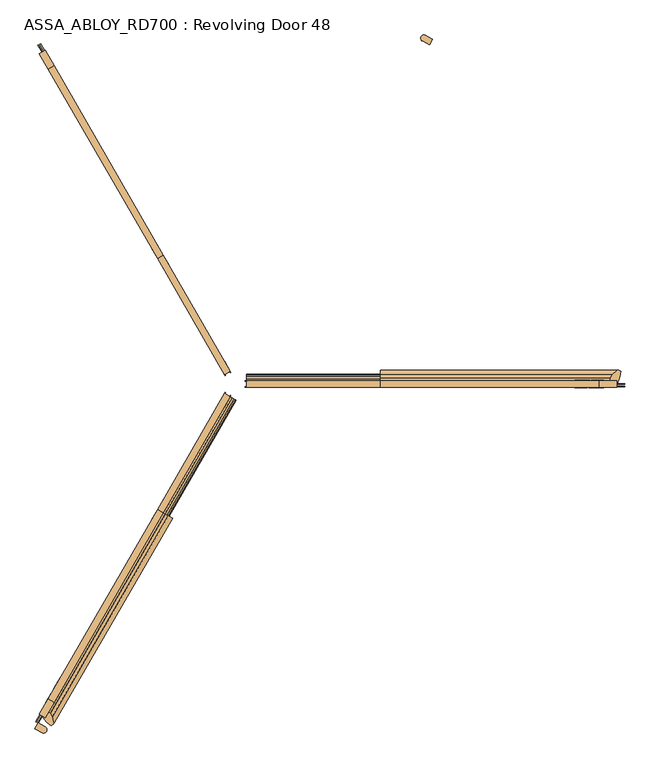
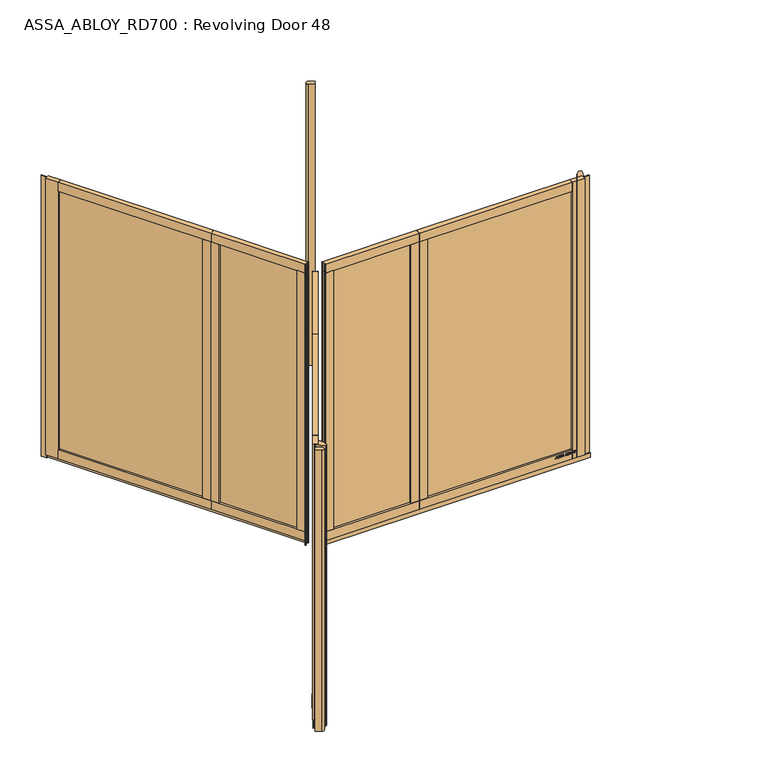
"""IFC4 building model written with IfcOpenShell, lengths in millimetres: door geometry, ASSA_ABLOY_RD700 : Revolving Door 48."""

from ifc_helpers import new_model, si_unit, point, frame, frame_2d, origin, origin_with_axes, origin_2d, place, context, project, spatial, polyline, circle_curve, trimmed, segment, composite_curve, outline, extrude, source, transform, mapped, element, save


def assa_abloy_rd700_revolving_door_48_b287f75c(model_context):
    return source(origin(), model_context, "Body", "SweptSolid", [
        extrude(outline(composite_curve([segment(trimmed(circle_curve(origin_2d(), 2400.0), [point((-1200.0, -2078.4609691))], [point((-1156.4382849, -2103.0098652))], True, "CARTESIAN"), True, "CONTINUOUS"), segment(trimmed(circle_curve(frame_2d((-1166.7954989, -2120.1290668)), 20.0084719), [point((-1156.4382849, -2103.0098652))], [point((-1176.4425554, -2137.6582781))], False, "CARTESIAN"), True, "CONTINUOUS"), segment(trimmed(circle_curve(origin_2d(), 2440.0), [point((-1176.4425554, -2137.6582781))], [point((-1220.0, -2113.1019852))], False, "CARTESIAN"), True, "CONTINUOUS"), segment(polyline([(-1220.0, -2113.1019852), (-1200.0, -2078.4609691)]), True, "CONTINUOUS")], self_intersect=False)), origin_with_axes(), (0.0, 0.0, 1.0), 2600.0),
        extrude(outline(composite_curve([segment(trimmed(circle_curve(origin_2d(), 2400.0), [point((1200.0, 2078.4609691))], [point((1156.4382849, 2103.0098652))], True, "CARTESIAN"), True, "CONTINUOUS"), segment(trimmed(circle_curve(frame_2d((1166.7954989, 2120.1290668)), 20.0084719), [point((1156.4382849, 2103.0098652))], [point((1176.4425554, 2137.6582781))], False, "CARTESIAN"), True, "CONTINUOUS"), segment(trimmed(circle_curve(origin_2d(), 2440.0), [point((1176.4425554, 2137.6582781))], [point((1220.0, 2113.1019852))], False, "CARTESIAN"), True, "CONTINUOUS"), segment(polyline([(1220.0, 2113.1019852), (1200.0, 2078.4609691)]), True, "CONTINUOUS")], self_intersect=False)), origin_with_axes(), (0.0, 0.0, 1.0), 2600.0),
        extrude(outline(polyline([(-415.5155414, -716.1940361), (-50.5155414, -83.9954913), (-47.4844586, -85.7454878), (-412.4844586, -717.9440326), (-415.5155414, -716.1940361)])), frame((0.0, 0.0, 124.0), z_axis=(0.0, 0.0, 1.0), x_axis=(1.0, 0.0, 0.0)), (0.0, 0.0, 1.0), 2394.0),
        extrude(outline(polyline([(-1121.5155414, -1939.0219062), (-488.5155414, -842.633745), (-485.4844586, -844.3837415), (-1118.4844586, -1940.7719027), (-1121.5155414, -1939.0219062)])), frame((0.0, 0.0, 124.0), z_axis=(0.0, 0.0, 1.0), x_axis=(1.0, 0.0, 0.0)), (0.0, 0.0, 1.0), 2394.0),
        extrude(outline(polyline([(-1102.6794919, -1949.8969045), (-1137.3205081, -1929.8969045), (-467.8205081, -770.2888888), (-433.1794919, -790.2888888), (-1102.6794919, -1949.8969045)])), frame((0.0, 0.0, 42.0), z_axis=(0.0, 0.0, 1.0), x_axis=(1.0, 0.0, 0.0)), (0.0, 0.0, 1.0), 82.0),
        extrude(outline(polyline([(-467.8205081, -770.2888888), (-433.1794919, -790.2888888), (-1102.6794919, -1949.8969045), (-1137.3205081, -1929.8969045), (-467.8205081, -770.2888888)])), frame((0.0, 0.0, 2518.0), z_axis=(0.0, 0.0, 1.0), x_axis=(1.0, 0.0, 0.0)), (0.0, 0.0, 1.0), 82.0),
        extrude(outline(polyline([(-433.1794919, -790.2888888), (-467.8205081, -770.2888888), (-431.3205081, -707.0690343), (-396.6794919, -727.0690343), (-433.1794919, -790.2888888)])), frame((0.0, 0.0, 124.0), z_axis=(0.0, 0.0, 1.0), x_axis=(1.0, 0.0, 0.0)), (0.0, 0.0, 1.0), 2394.0),
        extrude(outline(polyline([(-469.6794919, -853.5087433), (-504.3205081, -833.5087433), (-467.8205081, -770.2888888), (-433.1794919, -790.2888888), (-469.6794919, -853.5087433)])), frame((0.0, 0.0, 124.0), z_axis=(0.0, 0.0, 1.0), x_axis=(1.0, 0.0, 0.0)), (0.0, 0.0, 1.0), 2394.0),
        extrude(outline(polyline([(-24.2775681, -76.0499815), (-20.7775681, -69.9878037), (-18.1794919, -71.4878037), (-21.6794919, -77.5499815), (-24.2775681, -76.0499815)])), origin_with_axes(), (0.0, 0.0, 1.0), 2600.0),
        extrude(outline(polyline([(-56.6794919, -138.1717598), (-91.3205081, -118.1717598), (-56.3205081, -57.5499815), (-21.6794919, -77.5499815), (-56.6794919, -138.1717598)])), frame((0.0, 0.0, 124.0), z_axis=(0.0, 0.0, 1.0), x_axis=(1.0, 0.0, 0.0)), (0.0, 0.0, 1.0), 2394.0),
        extrude(outline(polyline([(-56.3205081, -57.5499815), (-21.6794919, -77.5499815), (-433.1794919, -790.2888888), (-467.8205081, -770.2888888), (-56.3205081, -57.5499815)])), frame((0.0, 0.0, 2518.0), z_axis=(0.0, 0.0, 1.0), x_axis=(1.0, 0.0, 0.0)), (0.0, 0.0, 1.0), 82.0),
        extrude(outline(polyline([(-1137.3205081, -1929.8969045), (-1102.6794919, -1949.8969045), (-1157.6794919, -2045.1596989), (-1192.3205081, -2025.1596989), (-1137.3205081, -1929.8969045)])), frame((0.0, 0.0, 42.0), z_axis=(0.0, 0.0, 1.0), x_axis=(1.0, 0.0, 0.0)), (0.0, 0.0, 1.0), 2558.0),
        extrude(outline(polyline([(-1201.5155414, -2077.5859708), (-1176.5155414, -2034.2847006), (-1173.4844586, -2036.0346971), (-1198.4844586, -2079.3359673), (-1201.5155414, -2077.5859708)])), origin_with_axes(), (0.0, 0.0, 1.0), 2600.0),
        extrude(outline(polyline([(-433.1794919, -790.2888888), (-467.8205081, -770.2888888), (-56.3205081, -57.5499815), (-21.6794919, -77.5499815), (-433.1794919, -790.2888888)])), frame((0.0, 0.0, 42.0), z_axis=(0.0, 0.0, 1.0), x_axis=(1.0, 0.0, 0.0)), (0.0, 0.0, 1.0), 82.0),
        extrude(outline(polyline([(-50.2224319, -52.9878037), (-53.7224319, -59.0499815), (-56.3205081, -57.5499815), (-52.8205081, -51.4878037), (-50.2224319, -52.9878037)])), origin_with_axes(), (0.0, 0.0, 1.0), 2600.0),
        extrude(outline(polyline([(-1214.7224319, -2069.9609691), (-53.7224319, -59.0499815), (-49.5655099, -61.4499815), (-1210.5655099, -2072.3609691), (-1214.7224319, -2069.9609691)])), origin_with_axes(), (0.0, 0.0, 1.0), 42.0),
        extrude(outline(polyline([(-21.1919362, 0.0), (0.0, 0.0), (1.2354289, -3.3526834), (-14.8894584, -17.1035442), (-15.8652681, -14.4554102), (-11.2716326, -10.6269535), (-14.2348715, -2.5853724), (-20.214336, -2.6529929), (-21.1919362, 0.0)]), holes=[polyline([(-11.7626281, -2.5849675), (-9.3848751, -9.0376682), (-1.6611384, -2.5160752), (-11.7626281, -2.5849675)])]), frame((-1110.3315201, -1967.1506061, 111.8848654), z_axis=(-0.8660254037844339, 0.5000000000000084, 0.0), x_axis=(-0.17288098849125705, -0.2994386557295809, 0.9383222555567716)), (0.0, 0.0, 1.0), 2.0),
        extrude(outline(polyline([(-3.5121291, 0.0), (0.0, 0.0), (2.8187321, -2.6852579), (4.250422, -5.1162245), (5.5118808, -7.3434952), (7.3063201, -9.1972246), (9.3614355, -9.1814983), (11.0208469, -7.1616301), (10.6514742, -3.4882218), (8.71119, 0.0484616), (6.0403681, 2.648411), (9.0699596, 3.7111349), (11.0920114, 1.0208016), (12.7977466, -2.5981572), (13.1300796, -8.3561656), (9.9996043, -11.7673439), (6.2388816, -11.6844271), (3.0893834, -8.4786224), (1.8238571, -6.2006453), (0.6628891, -4.2207409), (-0.9295188, -2.6144294), (-2.9863484, -2.6252693), (-4.8029446, -4.7524082), (-4.3562345, -8.7636201), (-2.4447822, -12.1320669), (0.6567353, -15.0446472), (-2.5145629, -16.1570791), (-4.824798, -13.2083907), (-6.5093631, -9.6341389), (-7.2092231, -6.1919012), (-6.787432, -3.3659464), (-5.4926863, -1.2764387), (-3.5121291, 0.0)])), frame((-1098.4666248, -1946.6000046, 100.999973), z_axis=(-0.8660254037844338, 0.5000000000000083, 0.0), x_axis=(-0.1655035508100891, -0.2866605588361252, 0.9436282629706535)), (0.0, 0.0, 1.0), 2.0),
        extrude(outline(polyline([(-3.5121291, 0.0), (0.0, 0.0), (2.8187321, -2.6852579), (4.250422, -5.1162245), (5.5118808, -7.3434952), (7.3063201, -9.1972246), (9.3614355, -9.1814983), (11.0208469, -7.1616301), (10.6514742, -3.4882218), (8.71119, 0.0484616), (6.0403681, 2.648411), (9.0699596, 3.7111349), (11.0920114, 1.0208016), (12.7977466, -2.5981572), (13.1300796, -8.3561656), (9.9996043, -11.7673439), (6.2388816, -11.6844271), (3.0893834, -8.4786224), (1.8238571, -6.2006453), (0.6628891, -4.2207409), (-0.9295188, -2.6144294), (-2.9863484, -2.6252693), (-4.8029446, -4.7524082), (-4.3562345, -8.7636201), (-2.4447822, -12.1320669), (0.6567353, -15.0446472), (-2.5145629, -16.1570791), (-4.824798, -13.2083907), (-6.5093631, -9.6341389), (-7.2092231, -6.1919012), (-6.787432, -3.3659464), (-5.4926863, -1.2764387), (-3.5121291, 0.0)])), frame((-1089.0213137, -1930.2402459, 100.999973), z_axis=(-0.8660254037844338, 0.5000000000000083, 0.0), x_axis=(-0.1655035508100891, -0.2866605588361252, 0.9436282629706535)), (0.0, 0.0, 1.0), 2.0),
        extrude(outline(polyline([(-21.1919362, 0.0), (0.0, 0.0), (1.2354289, -3.3526834), (-14.8894584, -17.1035441), (-15.8652681, -14.4554102), (-11.2716326, -10.6269536), (-14.2348715, -2.5853723), (-20.214336, -2.6529929), (-21.1919362, 0.0)]), holes=[polyline([(-11.7626281, -2.5849674), (-9.3848751, -9.0376682), (-1.6611384, -2.5160752), (-11.7626281, -2.5849674)])]), frame((-1081.9955869, -1918.07133, 111.8848654), z_axis=(-0.8660254037844339, 0.5000000000000084, 0.0), x_axis=(-0.17288098849125705, -0.2994386557295809, 0.9383222555567716)), (0.0, 0.0, 1.0), 2.0),
        extrude(outline(polyline([(-21.1919362, 0.0), (0.0, 0.0), (1.2354289, -3.3526834), (-14.8894584, -17.1035442), (-15.8652681, -14.4554102), (-11.2716326, -10.6269535), (-14.2348715, -2.5853724), (-20.214336, -2.6529929), (-21.1919362, 0.0)]), holes=[polyline([(-11.7626281, -2.5849675), (-9.3848751, -9.0376682), (-1.6611384, -2.5160752), (-11.7626281, -2.5849675)])]), frame((-1067.7447666, -1893.3881853, 111.8848654), z_axis=(-0.8660254037844339, 0.5000000000000084, 0.0), x_axis=(-0.17288098849125705, -0.2994386557295809, 0.9383222555567716)), (0.0, 0.0, 1.0), 2.0),
        extrude(outline(polyline([(-3.6247797, 0.0), (0.0, 0.0), (2.8147562, -2.4211002), (3.7068838, -0.0321766), (5.7320771, 1.441087), (7.9241126, 1.6554025), (9.8352432, 0.5920774), (11.1479955, -1.1951534), (12.3716711, -4.2930708), (14.3144162, -9.9880647), (-4.5055294, -16.4081518), (-6.8194358, -9.6251298), (-7.5842828, -6.2202288), (-7.2049821, -3.4426962), (-5.9232413, -1.3859292), (-3.6247797, 0.0)]), holes=[polyline([(5.2214252, -2.9241786), (4.7734732, -6.6552624), (5.9304264, -10.0467734), (11.2627443, -8.2277488), (10.1960736, -5.1008933), (9.3653605, -2.9303687), (5.2214252, -2.9241786)]), polyline([(-2.8765907, -2.5461078), (-4.3679308, -3.4351116), (-5.1102534, -4.8838351), (-5.1175975, -6.8751817), (-4.3362091, -9.7190963), (-3.1658807, -13.1498156), (3.734766, -10.7957836), (2.347091, -6.7279308), (1.5099769, -4.5787396), (0.5832315, -3.1932875), (-0.9746905, -2.291247), (-2.8765907, -2.5461078)])]), frame((-1055.5523407, -1872.2702841, 101.561824), z_axis=(-0.8660254037844338, 0.5000000000000084, 0.0), x_axis=(-0.16143149534182394, -0.27960755187385133, 0.9464457138403736)), (0.0, 0.0, 1.0), 2.0),
        extrude(outline(polyline([(-2.319901, 0.0), (0.0, 0.0), (0.0, -9.9424327), (17.5649644, -9.9424327), (17.5649644, -12.5937481), (-2.319901, -12.5937481), (-2.319901, 0.0)])), frame((-1046.8475337, -1857.1931161, 94.319901), z_axis=(-0.8660254037844338, 0.5000000000000084, 0.0), x_axis=(0.0, 0.0, 1.0)), (0.0, 0.0, 1.0), 2.0),
        extrude(outline(polyline([(-3.4755123, 1e-07), (0.0, 0.0), (3.5095376, -1.5864763), (6.1998493, -4.2905332), (7.4345587, -7.5668217), (7.0812775, -11.3109181), (5.1361655, -15.2239686), (2.1257687, -18.4422905), (-1.2097864, -20.048671), (-4.7147758, -20.0502835), (-8.2007387, -18.4707048), (-10.9175762, -15.7640054), (-12.1283677, -12.475947), (-11.7934803, -8.7947163), (-9.8417791, -4.8358203), (-6.8343334, -1.6217536), (-3.4755123, 1e-07)]), holes=[polyline([(-7.6631689, -6.3468237), (-9.5892894, -12.1951337), (-6.887121, -16.5585186), (-1.8513939, -17.5618518), (2.9575554, -13.7129652), (4.8960977, -7.8921765), (2.1788994, -3.4868578), (-2.8864763, -2.494471), (-7.6631689, -6.3468237)])]), frame((-1039.5706568, -1844.5891957, 111.5197917), z_axis=(-0.8660254037844337, 0.5000000000000084, 0.0), x_axis=(-0.4108545755708647, -0.7116209994108685, 0.5699070721880555)), (0.0, 0.0, 1.0), 2.0),
        extrude(outline(polyline([(-3.1691504, 0.0), (0.0, 0.0), (5.4320895, -8.8964059), (10.921141, 0.0), (14.0643996, 0.0), (6.7732822, -11.4441543), (6.7732822, -19.8848654), (4.1219668, -19.8848654), (4.1219668, -11.1645234), (-3.1691504, 0.0)])), frame((-1029.0443651, -1826.3571236, 111.8848654), z_axis=(-0.8660254037844338, 0.5000000000000084, 0.0), x_axis=(-0.5000000000000084, -0.8660254037844338, 0.0)), (0.0, 0.0, 1.0), 2.0),
        extrude(outline(polyline([(21.1919362, 0.0), (20.214336, -2.6529929), (14.2348715, -2.5853723), (11.2716326, -10.6269536), (15.8652681, -14.4554102), (14.8894584, -17.1035441), (-1.2354289, -3.3526834), (0.0, 0.0), (21.1919362, 0.0)]), holes=[polyline([(11.7626281, -2.5849674), (1.6611384, -2.5160753), (9.3848751, -9.0376682), (11.7626281, -2.5849674)])]), frame((-1069.614485, -1812.6266326, 111.8848654), z_axis=(-0.866025403784437, 0.5000000000000029, 0.0), x_axis=(-0.17288098849125513, -0.299438655729582, -0.9383222555567716)), (0.0, 0.0, 1.0), 2.0),
        extrude(outline(polyline([(3.5121291, -1e-07), (5.4926863, -1.2764388), (6.787432, -3.3659463), (7.2092232, -6.1919012), (6.5093631, -9.6341389), (4.8247981, -13.2083906), (2.5145629, -16.1570791), (-0.6567353, -15.0446472), (2.4447822, -12.1320669), (4.3562345, -8.7636201), (4.8029446, -4.7524081), (2.9863484, -2.6252692), (0.9295188, -2.6144293), (-0.6628891, -4.2207408), (-1.8238571, -6.2006452), (-3.0893834, -8.4786224), (-6.2388816, -11.6844271), (-9.9996044, -11.7673439), (-13.1300796, -8.3561656), (-12.7977466, -2.5981572), (-11.0920114, 1.0208017), (-9.0699596, 3.7111349), (-6.0403681, 2.648411), (-8.71119, 0.0484616), (-10.6514742, -3.4882218), (-11.0208469, -7.16163), (-9.3614355, -9.1814983), (-7.3063201, -9.1972246), (-5.5118808, -7.3434953), (-4.250422, -5.1162244), (-2.8187321, -2.6852579), (0.0, 0.0), (3.5121291, -1e-07)])), frame((-1081.4793803, -1833.1772341, 100.999973), z_axis=(-0.8660254037844372, 0.5000000000000029, 0.0), x_axis=(-0.16550355081008727, -0.28666055883612623, -0.9436282629706535)), (0.0, 0.0, 1.0), 2.0),
        extrude(outline(polyline([(3.5121291, -1e-07), (5.4926863, -1.2764388), (6.787432, -3.3659463), (7.2092232, -6.1919012), (6.5093631, -9.6341389), (4.8247981, -13.2083906), (2.5145629, -16.1570791), (-0.6567353, -15.0446472), (2.4447822, -12.1320669), (4.3562345, -8.7636201), (4.8029446, -4.7524081), (2.9863484, -2.6252693), (0.9295188, -2.6144293), (-0.6628891, -4.2207409), (-1.8238571, -6.2006453), (-3.0893834, -8.4786224), (-6.2388816, -11.6844271), (-9.9996044, -11.7673439), (-13.1300796, -8.3561656), (-12.7977466, -2.5981572), (-11.0920114, 1.0208017), (-9.0699596, 3.7111349), (-6.0403681, 2.648411), (-8.71119, 0.0484616), (-10.6514742, -3.4882218), (-11.0208469, -7.16163), (-9.3614355, -9.1814983), (-7.3063201, -9.1972246), (-5.5118808, -7.3434953), (-4.250422, -5.1162244), (-2.8187321, -2.6852579), (0.0, 0.0), (3.5121291, -1e-07)])), frame((-1090.9246914, -1849.5369928, 100.999973), z_axis=(-0.8660254037844372, 0.5000000000000029, 0.0), x_axis=(-0.16550355081008727, -0.28666055883612623, -0.9436282629706535)), (0.0, 0.0, 1.0), 2.0),
        extrude(outline(polyline([(21.1919362, 0.0), (20.214336, -2.6529929), (14.2348715, -2.5853724), (11.2716326, -10.6269536), (15.8652681, -14.4554102), (14.8894584, -17.1035442), (-1.2354289, -3.3526834), (0.0, 0.0), (21.1919362, 0.0)]), holes=[polyline([(11.7626281, -2.5849675), (1.6611384, -2.5160753), (9.3848751, -9.0376682), (11.7626281, -2.5849675)])]), frame((-1097.9504183, -1861.7059087, 111.8848654), z_axis=(-0.866025403784437, 0.5000000000000029, 0.0), x_axis=(-0.17288098849125513, -0.299438655729582, -0.9383222555567716)), (0.0, 0.0, 1.0), 2.0),
        extrude(outline(polyline([(21.1919362, 0.0), (20.214336, -2.6529929), (14.2348715, -2.5853723), (11.2716326, -10.6269536), (15.8652681, -14.4554102), (14.8894584, -17.1035441), (-1.2354289, -3.3526834), (0.0, 0.0), (21.1919362, 0.0)]), holes=[polyline([(11.7626281, -2.5849674), (1.6611384, -2.5160753), (9.3848751, -9.0376682), (11.7626281, -2.5849674)])]), frame((-1112.2012385, -1886.3890534, 111.8848654), z_axis=(-0.866025403784437, 0.5000000000000029, 0.0), x_axis=(-0.17288098849125513, -0.299438655729582, -0.9383222555567716)), (0.0, 0.0, 1.0), 2.0),
        extrude(outline(polyline([(3.6247797, 0.0), (5.9232413, -1.3859292), (7.2049821, -3.4426962), (7.5842828, -6.2202288), (6.8194358, -9.6251298), (4.5055294, -16.4081519), (-14.3144162, -9.9880648), (-12.3716711, -4.2930708), (-11.1479955, -1.1951534), (-9.8352433, 0.5920774), (-7.9241126, 1.6554025), (-5.7320771, 1.441087), (-3.7068839, -0.0321766), (-2.8147562, -2.4211002), (0.0, 0.0), (3.6247797, 0.0)]), holes=[polyline([(-5.2214253, -2.9241787), (-9.3653605, -2.9303687), (-10.1960736, -5.1008933), (-11.2627443, -8.2277488), (-5.9304264, -10.0467735), (-4.7734732, -6.6552624), (-5.2214253, -2.9241787)]), polyline([(2.8765907, -2.5461078), (0.9746905, -2.291247), (-0.5832315, -3.1932875), (-1.5099769, -4.5787396), (-2.347091, -6.7279309), (-3.734766, -10.7957837), (3.1658807, -13.1498156), (4.3362091, -9.7190964), (5.1175975, -6.8751817), (5.1102534, -4.8838351), (4.3679308, -3.4351117), (2.8765907, -2.5461078)])]), frame((-1124.3936645, -1907.5069546, 101.561824), z_axis=(-0.8660254037844369, 0.5000000000000028, 0.0), x_axis=(-0.16143149534182213, -0.2796075518738524, -0.9464457138403736)), (0.0, 0.0, 1.0), 2.0),
        extrude(outline(polyline([(2.319901, 0.0), (2.319901, -12.5937481), (-17.5649644, -12.5937481), (-17.5649644, -9.9424327), (0.0, -9.9424327), (0.0, 0.0), (2.319901, 0.0)])), frame((-1133.0984715, -1922.5841226, 94.319901), z_axis=(-0.866025403784437, 0.5000000000000029, 0.0), x_axis=(0.0, 0.0, -1.0)), (0.0, 0.0, 1.0), 2.0),
        extrude(outline(polyline([(3.4755123, 0.0), (6.8343334, -1.6217536), (9.8417791, -4.8358203), (11.7934802, -8.7947164), (12.1283676, -12.475947), (10.9175763, -15.7640054), (8.2007387, -18.4707048), (4.7147758, -20.0502835), (1.2097864, -20.048671), (-2.1257686, -18.4422905), (-5.1361655, -15.2239686), (-7.0812776, -11.3109182), (-7.4345587, -7.5668216), (-6.1998493, -4.2905332), (-3.5095376, -1.5864763), (0.0, 0.0), (3.4755123, 0.0)]), holes=[polyline([(7.663169, -6.3468237), (2.8864763, -2.494471), (-2.1788995, -3.4868579), (-4.8960978, -7.8921765), (-2.9575554, -13.7129652), (1.8513939, -17.5618518), (6.8871209, -16.5585186), (9.5892894, -12.1951337), (7.663169, -6.3468237)])]), frame((-1140.3753483, -1935.188043, 111.5197917), z_axis=(-0.866025403784437, 0.5000000000000028, 0.0), x_axis=(-0.4108545755708663, -0.7116209994108821, -0.5699070721880372)), (0.0, 0.0, 1.0), 2.0),
        extrude(outline(polyline([(3.1691504, 0.0), (-4.1219669, -11.1645234), (-4.1219669, -19.8848654), (-6.7732823, -19.8848654), (-6.7732823, -11.4441543), (-14.0643996, 0.0), (-10.921141, 0.0), (-5.4320895, -8.8964059), (0.0, 0.0), (3.1691504, 0.0)])), frame((-1150.9016401, -1953.4201151, 111.8848654), z_axis=(-0.866025403784437, 0.5000000000000029, 0.0), x_axis=(-0.5000000000000029, -0.866025403784437, 0.0)), (0.0, 0.0, 1.0), 2.0),
        extrude(outline(polyline([(26.6515221, 0.0), (-24.0034278, -19.9844491), (-57.4313185, -25.5557642), (-65.7800894, -7.1605958), (-35.4734857, 27.0878672), (-13.9731118, 39.4978266), (0.0, 39.5498894), (0.0, 0.0), (26.6515221, 0.0)])), frame((-1157.6794919, -2045.1596989, 42.0), z_axis=(0.5000000000000028, 0.8660254037844372, 0.0), x_axis=(-0.8660254037844372, 0.5000000000000028, 0.0)), (0.0, 0.0, 1.0), 1449.0),
        extrude(outline(polyline([(33.1204549, 0.0), (-29.2477893, -28.4956234), (-41.1595702, -16.5838424), (-37.5120241, 2.8258245), (-28.8456008, 22.8930528), (-13.0431775, 37.4022447), (0.0, 37.4557851), (0.0, 0.0), (33.1204549, 0.0)])), frame((-433.1794919, -790.2888888, 42.0), z_axis=(0.5000000000000028, 0.8660254037844372, 0.0), x_axis=(-0.8660254037844372, 0.5000000000000028, 0.0)), (0.0, 0.0, 1.0), 823.0),
        extrude(outline(polyline([(-1180.7603871, -2031.8339378), (-1157.6794919, -2045.1596989), (-1137.9045472, -2010.90849), (-1125.8295087, -2017.9401336), (-1113.4146184, -2039.4376606), (-1104.2925614, -2084.2510015), (-1120.7203932, -2096.0072991), (-1146.8841382, -2074.4684534), (-1180.7603871, -2031.8339378)])), origin_with_axes(), (0.0, 0.0, 1.0), 2600.0),
        extrude(outline(polyline([(828.0, -1.7499965), (98.0, -1.7499965), (98.0, 1.7499965), (828.0, 1.7499965), (828.0, -1.7499965)])), frame((0.0, 0.0, 124.0), z_axis=(0.0, 0.0, 1.0), x_axis=(1.0, 0.0, 0.0)), (0.0, 0.0, 1.0), 2394.0),
        extrude(outline(polyline([(2240.0, -1.7499965), (974.0, -1.7499965), (974.0, 1.7499965), (2240.0, 1.7499965), (2240.0, -1.7499965)])), frame((0.0, 0.0, 124.0), z_axis=(0.0, 0.0, 1.0), x_axis=(1.0, 0.0, 0.0)), (0.0, 0.0, 1.0), 2394.0),
        extrude(outline(polyline([(2240.0, 20.0), (2240.0, -20.0), (901.0, -20.0), (901.0, 20.0), (2240.0, 20.0)])), frame((0.0, 0.0, 42.0), z_axis=(0.0, 0.0, 1.0), x_axis=(1.0, 0.0, 0.0)), (0.0, 0.0, 1.0), 82.0),
        extrude(outline(polyline([(901.0, -20.0), (901.0, 20.0), (2240.0, 20.0), (2240.0, -20.0), (901.0, -20.0)])), frame((0.0, 0.0, 2518.0), z_axis=(0.0, 0.0, 1.0), x_axis=(1.0, 0.0, 0.0)), (0.0, 0.0, 1.0), 82.0),
        extrude(outline(polyline([(901.0, 20.0), (901.0, -20.0), (828.0, -20.0), (828.0, 20.0), (901.0, 20.0)])), frame((0.0, 0.0, 124.0), z_axis=(0.0, 0.0, 1.0), x_axis=(1.0, 0.0, 0.0)), (0.0, 0.0, 1.0), 2394.0),
        extrude(outline(polyline([(974.0, 20.0), (974.0, -20.0), (901.0, -20.0), (901.0, 20.0), (974.0, 20.0)])), frame((0.0, 0.0, 124.0), z_axis=(0.0, 0.0, 1.0), x_axis=(1.0, 0.0, 0.0)), (0.0, 0.0, 1.0), 2394.0),
        extrude(outline(polyline([(78.0, 17.0), (71.0, 17.0), (71.0, 20.0), (78.0, 20.0), (78.0, 17.0)])), origin_with_axes(), (0.0, 0.0, 1.0), 2600.0),
        extrude(outline(polyline([(148.0, 20.0), (148.0, -20.0), (78.0, -20.0), (78.0, 20.0), (148.0, 20.0)])), frame((0.0, 0.0, 124.0), z_axis=(0.0, 0.0, 1.0), x_axis=(1.0, 0.0, 0.0)), (0.0, 0.0, 1.0), 2394.0),
        extrude(outline(polyline([(78.0, -20.0), (78.0, 20.0), (901.0, 20.0), (901.0, -20.0), (78.0, -20.0)])), frame((0.0, 0.0, 2518.0), z_axis=(0.0, 0.0, 1.0), x_axis=(1.0, 0.0, 0.0)), (0.0, 0.0, 1.0), 82.0),
        extrude(outline(polyline([(2240.0, -20.0), (2240.0, 20.0), (2350.0, 20.0), (2350.0, -20.0), (2240.0, -20.0)])), frame((0.0, 0.0, 42.0), z_axis=(0.0, 0.0, 1.0), x_axis=(1.0, 0.0, 0.0)), (0.0, 0.0, 1.0), 2558.0),
        extrude(outline(polyline([(2400.0, -1.7499965), (2350.0, -1.7499965), (2350.0, 1.7499965), (2400.0, 1.7499965), (2400.0, -1.7499965)])), origin_with_axes(), (0.0, 0.0, 1.0), 2600.0),
        extrude(outline(polyline([(901.0, 20.0), (901.0, -20.0), (78.0, -20.0), (78.0, 20.0), (901.0, 20.0)])), frame((0.0, 0.0, 42.0), z_axis=(0.0, 0.0, 1.0), x_axis=(1.0, 0.0, 0.0)), (0.0, 0.0, 1.0), 82.0),
        extrude(outline(polyline([(71.0, -17.0), (78.0, -17.0), (78.0, -20.0), (71.0, -20.0), (71.0, -17.0)])), origin_with_axes(), (0.0, 0.0, 1.0), 2600.0),
        extrude(outline(polyline([(2400.0, -17.0), (78.0, -17.0), (78.0, -12.2), (2400.0, -12.2), (2400.0, -17.0)])), origin_with_axes(), (0.0, 0.0, 1.0), 42.0),
        extrude(outline(polyline([(92.0, 2251.4407922), (92.0, 2254.2681716), (97.6340452, 2256.2721931), (97.6340452, 2264.842363), (92.0, 2266.8463846), (92.0, 2269.6685856), (111.8848654, 2262.3412198), (111.8848654, 2258.768158), (92.0, 2251.4407922)]), holes=[polyline([(99.9539462, 2257.126621), (109.4562191, 2260.5546889), (99.9539462, 2264.0034703), (99.9539462, 2257.126621)])]), frame((0.0, 20.0, 0.0), z_axis=(0.0, 1.0, 0.0), x_axis=(0.0, 0.0, 1.0)), (0.0, 0.0, 1.0), 2.0),
        extrude(outline(polyline([(97.6858287, 2233.8758278), (95.3944087, 2234.4247329), (93.4810082, 2235.9678813), (92.147583, 2238.4949163), (91.6685856, 2241.9747678), (92.0750861, 2245.9051357), (93.2790525, 2249.4523057), (96.6398019, 2249.4523057), (94.6772071, 2245.6772883), (93.9884865, 2241.8660224), (94.8946979, 2237.9330653), (97.3129875, 2236.5271432), (99.2574581, 2237.1977395), (100.2283987, 2239.2405988), (100.6685585, 2241.4931812), (101.1087183, 2244.061643), (103.0195296, 2248.1292372), (106.5408079, 2249.4523057), (110.6239371, 2247.269631), (112.2162799, 2241.7262069), (111.804601, 2237.7466447), (110.7870552, 2234.5386566), (107.5764779, 2234.5386566), (109.2361392, 2237.8761034), (109.8963789, 2241.8556657), (109.0290052, 2245.4442625), (106.794547, 2246.8009903), (104.8500765, 2246.1355723), (103.7703904, 2243.7923687), (103.3172847, 2241.2731013), (102.7709688, 2238.505273), (100.999973, 2235.0383674), (97.6858287, 2233.8758278)])), frame((0.0, 20.0, 0.0), z_axis=(0.0, 1.0, 0.0), x_axis=(0.0, 0.0, 1.0)), (0.0, 0.0, 1.0), 2.0),
        extrude(outline(polyline([(97.6858287, 2214.9852056), (95.3944087, 2215.5341107), (93.4810082, 2217.0772591), (92.147583, 2219.6042941), (91.6685856, 2223.0841456), (92.0750861, 2227.0145135), (93.2790525, 2230.5616835), (96.6398019, 2230.5616835), (94.6772071, 2226.7866661), (93.9884865, 2222.9754002), (94.8946979, 2219.0424431), (97.3129875, 2217.636521), (99.2574581, 2218.3071174), (100.2283987, 2220.3499766), (100.6685585, 2222.602559), (101.1087183, 2225.1710208), (103.0195296, 2229.238615), (106.5408079, 2230.5616835), (110.6239371, 2228.3790088), (112.2162799, 2222.8355848), (111.804601, 2218.8560225), (110.7870552, 2215.6480344), (107.5764779, 2215.6480344), (109.2361392, 2218.9854813), (109.8963789, 2222.9650435), (109.0290052, 2226.5536403), (106.794547, 2227.9103681), (104.8500765, 2227.2449501), (103.7703904, 2224.9017466), (103.3172847, 2222.3824791), (102.7709688, 2219.6146508), (100.999973, 2216.1477453), (97.6858287, 2214.9852056)])), frame((0.0, 20.0, 0.0), z_axis=(0.0, 1.0, 0.0), x_axis=(0.0, 0.0, 1.0)), (0.0, 0.0, 1.0), 2.0),
        extrude(outline(polyline([(92.0, 2194.7689257), (92.0, 2197.596305), (97.6340452, 2199.6003266), (97.6340452, 2208.1704965), (92.0, 2210.1745181), (92.0, 2212.996719), (111.8848654, 2205.6693533), (111.8848654, 2202.0962915), (92.0, 2194.7689257)]), holes=[polyline([(99.9539462, 2200.4547544), (109.4562191, 2203.8828224), (99.9539462, 2207.3316037), (99.9539462, 2200.4547544)])]), frame((0.0, 20.0, 0.0), z_axis=(0.0, 1.0, 0.0), x_axis=(0.0, 0.0, 1.0)), (0.0, 0.0, 1.0), 2.0),
        extrude(outline(polyline([(92.0, 2166.2672852), (92.0, 2169.0946645), (97.6340452, 2171.0986861), (97.6340452, 2179.668856), (92.0, 2181.6728776), (92.0, 2184.4950786), (111.8848654, 2177.1677128), (111.8848654, 2173.594651), (92.0, 2166.2672852)]), holes=[polyline([(99.9539462, 2171.953114), (109.4562191, 2175.3811819), (99.9539462, 2178.8299633), (99.9539462, 2171.953114)])]), frame((0.0, 20.0, 0.0), z_axis=(0.0, 1.0, 0.0), x_axis=(0.0, 0.0, 1.0)), (0.0, 0.0, 1.0), 2.0),
        extrude(outline(polyline([(98.1311668, 2148.0394919), (95.5083324, 2148.6091105), (93.6311804, 2150.1419022), (92.3754304, 2152.6482237), (92.0, 2156.1177185), (92.0, 2163.2845554), (111.8848654, 2163.2845554), (111.8848654, 2157.2673123), (111.7269258, 2153.9402222), (111.0615077, 2151.824866), (109.5960346, 2150.2014532), (107.4521975, 2149.696564), (105.0597997, 2150.4370681), (103.4441543, 2152.4100196), (101.561824, 2149.2097991), (98.1311668, 2148.0394919)]), holes=[polyline([(105.5595105, 2153.6631804), (109.4795217, 2155.0069623), (109.5649645, 2157.3294525), (109.5649645, 2160.63324), (103.9309193, 2160.63324), (103.9309193, 2157.0498216), (105.5595105, 2153.6631804)]), polyline([(98.0172431, 2150.6908073), (99.8995735, 2151.0636485), (101.0828266, 2152.4203763), (101.5126296, 2154.0308433), (101.6110183, 2156.3352092), (101.6110183, 2160.63324), (94.319901, 2160.63324), (94.319901, 2157.0083948), (94.4985541, 2154.0645026), (95.148437, 2152.1821722), (96.3187442, 2151.0507027), (98.0172431, 2150.6908073)])]), frame((0.0, 20.0, 0.0), z_axis=(0.0, 1.0, 0.0), x_axis=(0.0, 0.0, 1.0)), (0.0, 0.0, 1.0), 2.0),
        extrude(outline(polyline([(92.0, 2131.8001851), (92.0, 2144.3939332), (111.8848654, 2144.3939332), (111.8848654, 2141.7426179), (94.319901, 2141.7426179), (94.319901, 2131.8001851), (92.0, 2131.8001851)])), frame((0.0, 20.0, 0.0), z_axis=(0.0, 1.0, 0.0), x_axis=(0.0, 0.0, 1.0)), (0.0, 0.0, 1.0), 2.0),
        extrude(outline(polyline([(109.5390727, 2114.3905712), (106.292247, 2112.554846), (101.9372544, 2111.9153197), (97.571905, 2112.5677918), (94.3561494, 2114.3905712), (92.3443603, 2117.2593773), (91.6685856, 2121.0343947), (92.3573062, 2124.7990554), (94.3561494, 2127.6782182), (97.5770834, 2129.5035867), (101.9372544, 2130.143113), (106.2611769, 2129.5113543), (109.5390727, 2127.6678615), (111.5275593, 2124.7861095), (112.2162799, 2121.0343947), (111.5197917, 2117.2464314), (109.5390727, 2114.3905712)]), holes=[polyline([(101.9372544, 2114.5666351), (107.8250388, 2116.2962041), (109.8963789, 2121.024038), (107.8250388, 2125.7674069), (101.9372544, 2127.4917976), (96.0339349, 2125.7337477), (93.9884865, 2121.024038), (96.0339349, 2116.3169175), (101.9372544, 2114.5666351)])]), frame((0.0, 20.0, 0.0), z_axis=(0.0, 1.0, 0.0), x_axis=(0.0, 0.0, 1.0)), (0.0, 0.0, 1.0), 2.0),
        extrude(outline(polyline([(111.8848654, 2093.0246975), (100.720342, 2100.3158148), (92.0, 2100.3158148), (92.0, 2102.9671302), (100.4407111, 2102.9671302), (111.8848654, 2110.2582476), (111.8848654, 2107.1149889), (102.9884595, 2101.6259375), (111.8848654, 2096.1938479), (111.8848654, 2093.0246975)])), frame((0.0, 20.0, 0.0), z_axis=(0.0, 1.0, 0.0), x_axis=(0.0, 0.0, 1.0)), (0.0, 0.0, 1.0), 2.0),
        extrude(outline(polyline([(92.0, 2111.9153197), (111.8848654, 2104.5879539), (111.8848654, 2101.0148921), (92.0, 2093.6875264), (92.0, 2096.5097273), (97.6340452, 2098.5137489), (97.6340452, 2107.0839188), (92.0, 2109.0879404), (92.0, 2111.9153197)]), holes=[polyline([(99.9539462, 2106.229491), (99.9539462, 2099.3526417), (109.4562191, 2102.801423), (99.9539462, 2106.229491)])]), frame((0.0, -22.0, 0.0), z_axis=(0.0, 1.0, 0.0), x_axis=(0.0, 0.0, 1.0)), (0.0, 0.0, 1.0), 2.0),
        extrude(outline(polyline([(97.6858287, 2129.4802842), (100.999973, 2128.3177445), (102.7709688, 2124.8508389), (103.3172847, 2122.0830106), (103.7703904, 2119.5637432), (104.8500765, 2117.2205396), (106.794547, 2116.5551216), (109.0290052, 2117.9118494), (109.8963789, 2121.5004462), (109.2361392, 2125.4800085), (107.5764779, 2128.8174553), (110.7870552, 2128.8174553), (111.804601, 2125.6094673), (112.2162799, 2121.629905), (110.6239371, 2116.0864809), (106.5408079, 2113.9038062), (103.0195296, 2115.2268747), (101.1087183, 2119.294469), (100.6685585, 2121.8629308), (100.2283987, 2124.1155132), (99.2574581, 2126.1583724), (97.3129875, 2126.8289688), (94.8946979, 2125.4230466), (93.9884865, 2121.4900895), (94.6772071, 2117.6788237), (96.6398019, 2113.9038062), (93.2790525, 2113.9038062), (92.0750861, 2117.4509762), (91.6685856, 2121.3813442), (92.147583, 2124.8611956), (93.4810082, 2127.3882306), (95.3944087, 2128.931379), (97.6858287, 2129.4802842)])), frame((0.0, -22.0, 0.0), z_axis=(0.0, 1.0, 0.0), x_axis=(0.0, 0.0, 1.0)), (0.0, 0.0, 1.0), 2.0),
        extrude(outline(polyline([(97.6858287, 2148.3709063), (100.999973, 2147.2083667), (102.7709688, 2143.7414611), (103.3172847, 2140.9736328), (103.7703904, 2138.4543654), (104.8500765, 2136.1111618), (106.794547, 2135.4457438), (109.0290052, 2136.8024716), (109.8963789, 2140.3910684), (109.2361392, 2144.3706307), (107.5764779, 2147.7080775), (110.7870552, 2147.7080775), (111.804601, 2144.5000894), (112.2162799, 2140.5205272), (110.6239371, 2134.9771031), (106.5408079, 2132.7944284), (103.0195296, 2134.1174969), (101.1087183, 2138.1850911), (100.6685585, 2140.7535529), (100.2283987, 2143.0061353), (99.2574581, 2145.0489946), (97.3129875, 2145.7195909), (94.8946979, 2144.3136688), (93.9884865, 2140.3807117), (94.6772071, 2136.5694458), (96.6398019, 2132.7944284), (93.2790525, 2132.7944284), (92.0750861, 2136.3415984), (91.6685856, 2140.2719663), (92.147583, 2143.7518178), (93.4810082, 2146.2788528), (95.3944087, 2147.8220012), (97.6858287, 2148.3709063)])), frame((0.0, -22.0, 0.0), z_axis=(0.0, 1.0, 0.0), x_axis=(0.0, 0.0, 1.0)), (0.0, 0.0, 1.0), 2.0),
        extrude(outline(polyline([(92.0, 2168.5871862), (111.8848654, 2161.2598204), (111.8848654, 2157.6867587), (92.0, 2150.3593929), (92.0, 2153.1815938), (97.6340452, 2155.1856154), (97.6340452, 2163.7557853), (92.0, 2165.7598069), (92.0, 2168.5871862)]), holes=[polyline([(99.9539462, 2162.9013575), (99.9539462, 2156.0245082), (109.4562191, 2159.4732895), (99.9539462, 2162.9013575)])]), frame((0.0, -22.0, 0.0), z_axis=(0.0, 1.0, 0.0), x_axis=(0.0, 0.0, 1.0)), (0.0, 0.0, 1.0), 2.0),
        extrude(outline(polyline([(92.0, 2197.0888267), (111.8848654, 2189.7614609), (111.8848654, 2186.1883991), (92.0, 2178.8610334), (92.0, 2181.6832343), (97.6340452, 2183.6872559), (97.6340452, 2192.2574258), (92.0, 2194.2614474), (92.0, 2197.0888267)]), holes=[polyline([(99.9539462, 2191.402998), (99.9539462, 2184.5261487), (109.4562191, 2187.97493), (99.9539462, 2191.402998)])]), frame((0.0, -22.0, 0.0), z_axis=(0.0, 1.0, 0.0), x_axis=(0.0, 0.0, 1.0)), (0.0, 0.0, 1.0), 2.0),
        extrude(outline(polyline([(98.1311668, 2215.31662), (101.561824, 2214.1463128), (103.4441543, 2210.9460923), (105.0597997, 2212.9190438), (107.4521975, 2213.6595479), (109.5960346, 2213.1546587), (111.0615077, 2211.5312459), (111.7269258, 2209.4158898), (111.8848654, 2206.0887996), (111.8848654, 2200.0715565), (92.0, 2200.0715565), (92.0, 2207.2383934), (92.3754304, 2210.7078882), (93.6311804, 2213.2142098), (95.5083324, 2214.7470015), (98.1311668, 2215.31662)]), holes=[polyline([(105.5595105, 2209.6929315), (103.9309193, 2206.3062904), (103.9309193, 2202.7228719), (109.5649645, 2202.7228719), (109.5649645, 2206.0266594), (109.4795217, 2208.3491496), (105.5595105, 2209.6929315)]), polyline([(98.0172431, 2212.6653046), (96.3187442, 2212.3054093), (95.148437, 2211.1739397), (94.4985541, 2209.2916094), (94.319901, 2206.3477172), (94.319901, 2202.7228719), (101.6110183, 2202.7228719), (101.6110183, 2207.0209027), (101.5126296, 2209.3252686), (101.0828266, 2210.9357356), (99.8995735, 2212.2924634), (98.0172431, 2212.6653046)])]), frame((0.0, -22.0, 0.0), z_axis=(0.0, 1.0, 0.0), x_axis=(0.0, 0.0, 1.0)), (0.0, 0.0, 1.0), 2.0),
        extrude(outline(polyline([(92.0, 2231.5559268), (94.319901, 2231.5559268), (94.319901, 2221.6134941), (111.8848654, 2221.6134941), (111.8848654, 2218.9621787), (92.0, 2218.9621787), (92.0, 2231.5559268)])), frame((0.0, -22.0, 0.0), z_axis=(0.0, 1.0, 0.0), x_axis=(0.0, 0.0, 1.0)), (0.0, 0.0, 1.0), 2.0),
        extrude(outline(polyline([(109.5390727, 2248.9655408), (111.5197917, 2246.1096805), (112.2162799, 2242.3217172), (111.5275593, 2238.5700024), (109.5390727, 2235.6882504), (106.2611769, 2233.8447577), (101.9372544, 2233.2129989), (97.5770834, 2233.8525252), (94.3561494, 2235.6778937), (92.3573062, 2238.5570565), (91.6685856, 2242.3217172), (92.3443603, 2246.0967347), (94.3561494, 2248.9655408), (97.571905, 2250.7883201), (101.9372544, 2251.4407922), (106.292247, 2250.801266), (109.5390727, 2248.9655408)]), holes=[polyline([(101.9372544, 2248.7894769), (96.0339349, 2247.0391944), (93.9884865, 2242.3320739), (96.0339349, 2237.6223643), (101.9372544, 2235.8643143), (107.8250388, 2237.588705), (109.8963789, 2242.3320739), (107.8250388, 2247.0599078), (101.9372544, 2248.7894769)])]), frame((0.0, -22.0, 0.0), z_axis=(0.0, 1.0, 0.0), x_axis=(0.0, 0.0, 1.0)), (0.0, 0.0, 1.0), 2.0),
        extrude(outline(polyline([(111.8848654, 2270.3314144), (111.8848654, 2267.162264), (102.9884595, 2261.7301744), (111.8848654, 2256.241123), (111.8848654, 2253.0978644), (100.4407111, 2260.3889817), (92.0, 2260.3889817), (92.0, 2263.0402971), (100.720342, 2263.0402971), (111.8848654, 2270.3314144)])), frame((0.0, -22.0, 0.0), z_axis=(0.0, 1.0, 0.0), x_axis=(0.0, 0.0, 1.0)), (0.0, 0.0, 1.0), 2.0),
        extrude(outline(polyline([(-6.6515221, 42.0), (20.0, 42.0), (20.0, 81.5498894), (33.9731119, 81.4978266), (55.4734858, 69.0878672), (85.7800894, 34.8394042), (77.4313185, 16.4442358), (44.0034278, 22.0155509), (-6.6515221, 42.0)])), frame((901.0, 0.0, 0.0), z_axis=(1.0, 0.0, 0.0), x_axis=(0.0, 1.0, 0.0)), (0.0, 0.0, 1.0), 1449.0),
        extrude(outline(polyline([(-13.1204549, 42.0), (20.0, 42.0), (20.0, 79.4557851), (33.0431775, 79.4022447), (48.8456009, 64.8930528), (57.5120241, 44.8258245), (61.1595703, 25.4161576), (49.2477893, 13.5043766), (-13.1204549, 42.0)])), frame((78.0, 0.0, 0.0), z_axis=(1.0, 0.0, 0.0), x_axis=(0.0, 1.0, 0.0)), (0.0, 0.0, 1.0), 823.0),
        extrude(outline(polyline([(2350.0, -6.6515221), (2350.0, 20.0), (2310.4501106, 20.0), (2310.5021734, 33.9731119), (2322.9121328, 55.4734858), (2357.1605958, 85.7800894), (2375.5557642, 77.4313185), (2369.9844491, 44.0034278), (2350.0, -6.6515221)])), origin_with_axes(), (0.0, 0.0, 1.0), 2600.0),
        extrude(outline(polyline([(-412.4844586, 717.9440326), (-47.4844586, 85.7454878), (-50.5155414, 83.9954913), (-415.5155414, 716.1940361), (-412.4844586, 717.9440326)])), frame((0.0, 0.0, 124.0), z_axis=(0.0, 0.0, 1.0), x_axis=(1.0, 0.0, 0.0)), (0.0, 0.0, 1.0), 2394.0),
        extrude(outline(polyline([(-1118.4844586, 1940.7719027), (-485.4844586, 844.3837415), (-488.5155414, 842.633745), (-1121.5155414, 1939.0219062), (-1118.4844586, 1940.7719027)])), frame((0.0, 0.0, 124.0), z_axis=(0.0, 0.0, 1.0), x_axis=(1.0, 0.0, 0.0)), (0.0, 0.0, 1.0), 2394.0),
        extrude(outline(polyline([(-1137.3205081, 1929.8969045), (-1102.6794919, 1949.8969045), (-433.1794919, 790.2888888), (-467.8205081, 770.2888888), (-1137.3205081, 1929.8969045)])), frame((0.0, 0.0, 42.0), z_axis=(0.0, 0.0, 1.0), x_axis=(1.0, 0.0, 0.0)), (0.0, 0.0, 1.0), 82.0),
        extrude(outline(polyline([(-433.1794919, 790.2888888), (-467.8205081, 770.2888888), (-1137.3205081, 1929.8969045), (-1102.6794919, 1949.8969045), (-433.1794919, 790.2888888)])), frame((0.0, 0.0, 2518.0), z_axis=(0.0, 0.0, 1.0), x_axis=(1.0, 0.0, 0.0)), (0.0, 0.0, 1.0), 82.0),
        extrude(outline(polyline([(-467.8205081, 770.2888888), (-433.1794919, 790.2888888), (-396.6794919, 727.0690343), (-431.3205081, 707.0690343), (-467.8205081, 770.2888888)])), frame((0.0, 0.0, 124.0), z_axis=(0.0, 0.0, 1.0), x_axis=(1.0, 0.0, 0.0)), (0.0, 0.0, 1.0), 2394.0),
        extrude(outline(polyline([(-504.3205081, 833.5087433), (-469.6794919, 853.5087433), (-433.1794919, 790.2888888), (-467.8205081, 770.2888888), (-504.3205081, 833.5087433)])), frame((0.0, 0.0, 124.0), z_axis=(0.0, 0.0, 1.0), x_axis=(1.0, 0.0, 0.0)), (0.0, 0.0, 1.0), 2394.0),
        extrude(outline(polyline([(-53.7224319, 59.0499815), (-50.2224319, 52.9878037), (-52.8205081, 51.4878037), (-56.3205081, 57.5499815), (-53.7224319, 59.0499815)])), origin_with_axes(), (0.0, 0.0, 1.0), 2600.0),
        extrude(outline(polyline([(-91.3205081, 118.1717598), (-56.6794919, 138.1717598), (-21.6794919, 77.5499815), (-56.3205081, 57.5499815), (-91.3205081, 118.1717598)])), frame((0.0, 0.0, 124.0), z_axis=(0.0, 0.0, 1.0), x_axis=(1.0, 0.0, 0.0)), (0.0, 0.0, 1.0), 2394.0),
        extrude(outline(polyline([(-21.6794919, 77.5499815), (-56.3205081, 57.5499815), (-467.8205081, 770.2888888), (-433.1794919, 790.2888888), (-21.6794919, 77.5499815)])), frame((0.0, 0.0, 2518.0), z_axis=(0.0, 0.0, 1.0), x_axis=(1.0, 0.0, 0.0)), (0.0, 0.0, 1.0), 82.0),
        extrude(outline(polyline([(-1102.6794919, 1949.8969045), (-1137.3205081, 1929.8969045), (-1192.3205081, 2025.1596989), (-1157.6794919, 2045.1596989), (-1102.6794919, 1949.8969045)])), frame((0.0, 0.0, 42.0), z_axis=(0.0, 0.0, 1.0), x_axis=(1.0, 0.0, 0.0)), (0.0, 0.0, 1.0), 2558.0),
        extrude(outline(polyline([(-1198.4844586, 2079.3359673), (-1173.4844586, 2036.0346971), (-1176.5155414, 2034.2847006), (-1201.5155414, 2077.5859708), (-1198.4844586, 2079.3359673)])), origin_with_axes(), (0.0, 0.0, 1.0), 2600.0),
        extrude(outline(polyline([(-467.8205081, 770.2888888), (-433.1794919, 790.2888888), (-21.6794919, 77.5499815), (-56.3205081, 57.5499815), (-467.8205081, 770.2888888)])), frame((0.0, 0.0, 42.0), z_axis=(0.0, 0.0, 1.0), x_axis=(1.0, 0.0, 0.0)), (0.0, 0.0, 1.0), 82.0),
        extrude(outline(polyline([(-20.7775681, 69.9878037), (-24.2775681, 76.0499815), (-21.6794919, 77.5499815), (-18.1794919, 71.4878037), (-20.7775681, 69.9878037)])), origin_with_axes(), (0.0, 0.0, 1.0), 2600.0),
        extrude(outline(polyline([(-1185.2775681, 2086.9609691), (-24.2775681, 76.0499815), (-28.4344901, 73.6499815), (-1189.4344901, 2084.5609691), (-1185.2775681, 2086.9609691)])), origin_with_axes(), (0.0, 0.0, 1.0), 42.0),
    ])


if __name__ == "__main__":
    model = new_model("IFC4")
    model_context = context("Model", 3, world=origin())
    ifc_project = project(units=[si_unit("LENGTHUNIT", "METRE", prefix="MILLI")], contexts=[model_context])
    site = spatial("IfcSite", under=ifc_project)
    building = spatial("IfcBuilding", under=site)
    placement = place(None, origin())
    assa_abloy_rd700_revolving_door_48_shape = assa_abloy_rd700_revolving_door_48_b287f75c(model_context)
    element("IfcDoor", 1, ObjectType="ASSA_ABLOY_RD700 : Revolving Door 48", at=placement, inside=building, context=model_context, shape_type="MappedRepresentation", body=[
        mapped(assa_abloy_rd700_revolving_door_48_shape, transform((0.0, 0.0, 0.0), x_axis=(1.0, 0.0, 0.0), y_axis=(0.0, 1.0, 0.0), z_axis=(0.0, 0.0, 1.0))),
    ])
    save(model, "model.ifc")
